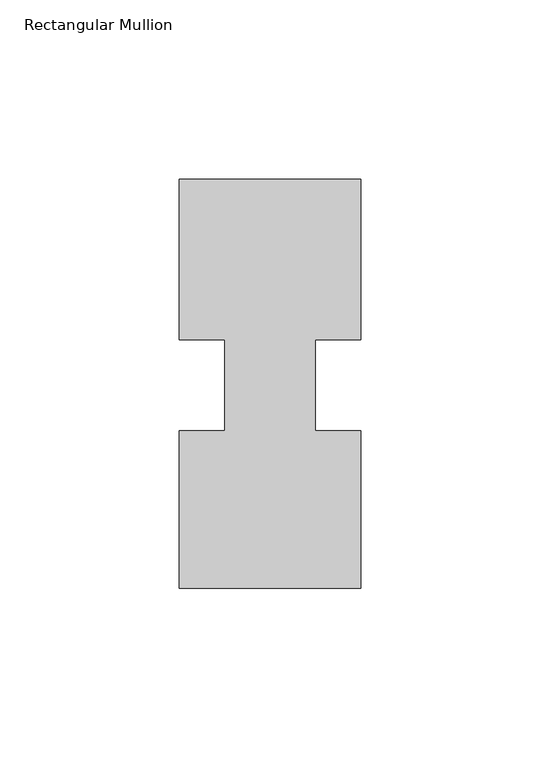
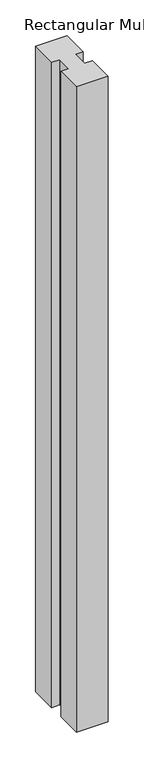
"""IFC4 building model written with IfcOpenShell, lengths in millimetres: member geometry, Rectangular Mullion."""

from ifc_helpers import new_model, si_unit, frame, origin, place, context, project, spatial, polyline, outline, extrude, source, transform, mapped, element, save


def rectangular_mullion_38739092(model_context):
    return source(origin(), model_context, "Body", "SweptSolid", [
        extrude(outline(polyline([(29.7344027, 57.6460938), (29.7344027, 12.7), (17.0326322, 12.7), (17.0326322, -12.7), (29.7344027, -12.7), (29.7344027, -56.6539062), (-21.0655973, -56.6539062), (-21.0655973, -12.7), (-8.3655973, -12.7), (-8.3655973, 12.7), (-21.0655973, 12.7), (-21.0655973, 57.6460938), (29.7344027, 57.6460938)])), frame((0.0, 0.0, -1099.7094027), z_axis=(0.0, 0.0, 1.0), x_axis=(1.0, 0.0, 0.0)), (0.0, 0.0, 1.0), 1099.7094027),
    ])


if __name__ == "__main__":
    model = new_model("IFC4")
    model_context = context("Model", 3, world=origin())
    ifc_project = project(units=[si_unit("LENGTHUNIT", "METRE", prefix="MILLI")], contexts=[model_context])
    site = spatial("IfcSite", under=ifc_project)
    building = spatial("IfcBuilding", under=site)
    placement = place(None, origin())
    rectangular_mullion_shape = rectangular_mullion_38739092(model_context)
    element("IfcMember", 1, ObjectType="Rectangular Mullion", at=placement, inside=building, context=model_context, shape_type="MappedRepresentation", body=[
        mapped(rectangular_mullion_shape, transform((0.0, 0.0, 0.0), x_axis=(1.0, 0.0, 0.0), y_axis=(0.0, 1.0, 0.0), z_axis=(0.0, 0.0, 1.0))),
    ])
    save(model, "model.ifc")
